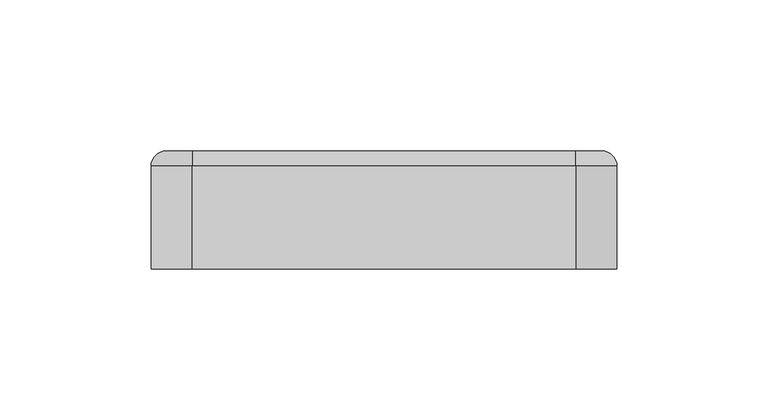
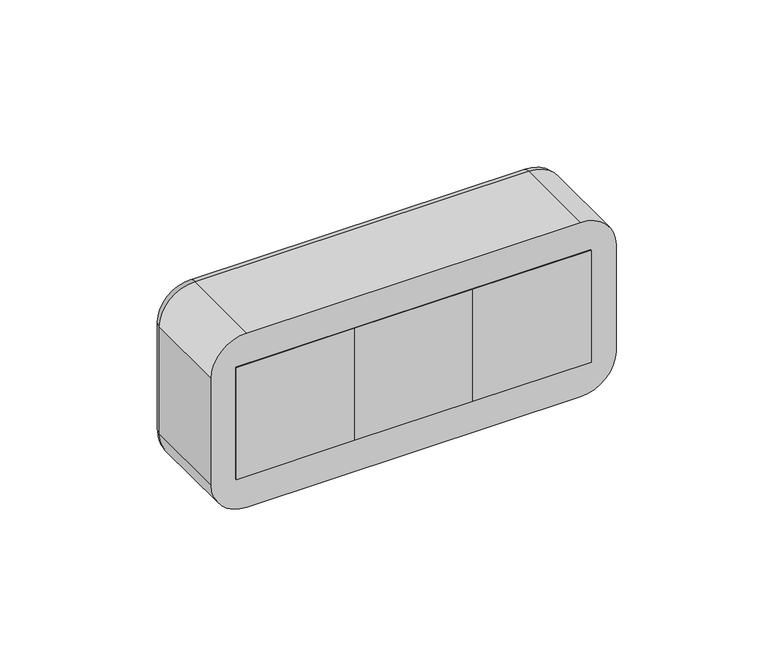
"""IFC4 building model written with IfcOpenShell, lengths in millimetres: proxy geometry."""

from ifc_helpers import new_model, si_unit, point, frame, frame_2d, origin, origin_2d, place, context, project, spatial, polyline, circle_curve, ellipse_curve, trimmed, segment, composite_curve, outline, extrude, source, transform, mapped, element, save
from ifc_brep_helpers import plane_surface, cylinder_surface, revolved_surface, advanced_brep


def electrical_fixtures_a17fdd96(model_context):
    return source(origin(), model_context, "Body", "SolidModel", [
        advanced_brep(
        [(67.5, 39.0, 22.5), (67.5, 39.0, -22.5), (22.5, 39.0, -22.5), (22.5, 39.0, 22.5), (27.0, 39.0, 0.0), (63.0, 39.0, 0.0), (67.5, 31.0, 22.5), (22.5, 31.0, 22.5), (22.5, 31.0, -22.5), (67.5, 31.0, -22.5), (38.0, 31.0, 0.0), (33.0, 31.0, 0.0), (57.0, 31.0, 0.0), (52.0, 31.0, 0.0), (27.0, 32.0, 0.0), (63.0, 32.0, 0.0), (33.0, 32.0, 0.0), (38.0, 32.0, 0.0), (52.0, 32.0, 0.0), (57.0, 32.0, 0.0)],
        [
            (0, 1),
            (1, 2),
            (2, 3),
            (3, 0),
            (4, 5, circle_curve(frame((45.0, 39.0, 0.0), z_axis=(0.0, -1.0, 0.0), x_axis=(1.0, 0.0, 0.0)), 18.0)),
            (5, 4, circle_curve(frame((45.0, 39.0, 0.0), z_axis=(0.0, -1.0, 0.0), x_axis=(1.0, 0.0, 0.0)), 18.0)),
            (6, 7),
            (7, 8),
            (8, 9),
            (9, 6),
            (10, 11, circle_curve(frame((35.5, 31.0, 0.0), z_axis=(0.0, 1.0, 0.0), x_axis=(1.0, 0.0, 0.0)), 2.5)),
            (11, 10, circle_curve(frame((35.5, 31.0, 0.0), z_axis=(0.0, 1.0, 0.0), x_axis=(1.0, 0.0, 0.0)), 2.5)),
            (12, 13, circle_curve(frame((54.5, 31.0, 0.0), z_axis=(0.0, 1.0, 0.0), x_axis=(1.0, 0.0, 0.0)), 2.5)),
            (13, 12, circle_curve(frame((54.5, 31.0, 0.0), z_axis=(0.0, 1.0, 0.0), x_axis=(1.0, 0.0, 0.0)), 2.5)),
            (3, 7),
            (6, 0),
            (2, 8),
            (1, 9),
            (14, 15, circle_curve(frame((45.0, 32.0, 0.0), z_axis=(0.0, 1.0, 0.0), x_axis=(1.0, 0.0, 0.0)), 18.0)),
            (15, 14, circle_curve(frame((45.0, 32.0, 0.0), z_axis=(0.0, 1.0, 0.0), x_axis=(1.0, 0.0, 0.0)), 18.0)),
            (16, 17, circle_curve(frame((35.5, 32.0, 0.0), z_axis=(0.0, -1.0, 0.0), x_axis=(1.0, 0.0, 0.0)), 2.5)),
            (17, 16, circle_curve(frame((35.5, 32.0, 0.0), z_axis=(0.0, -1.0, 0.0), x_axis=(1.0, 0.0, 0.0)), 2.5)),
            (18, 19, circle_curve(frame((54.5, 32.0, 0.0), z_axis=(0.0, -1.0, 0.0), x_axis=(1.0, 0.0, 0.0)), 2.5)),
            (19, 18, circle_curve(frame((54.5, 32.0, 0.0), z_axis=(0.0, -1.0, 0.0), x_axis=(1.0, 0.0, 0.0)), 2.5)),
            (15, 5),
            (4, 14),
            (10, 17),
            (16, 11),
            (12, 19),
            (18, 13),
        ],
        [
            plane_surface(frame((6.0, 39.0, 22.5), z_axis=(0.0, 1.0, 0.0), x_axis=(1.0, 0.0, 0.0))),
            plane_surface(frame((6.0, 31.0, 22.5), z_axis=(0.0, -1.0, 0.0), x_axis=(-1.0, 0.0, 0.0))),
            plane_surface(frame((67.5, 31.0, 22.5), z_axis=(0.0, 0.0, 1.0), x_axis=(0.0, 1.0, 0.0))),
            plane_surface(frame((22.5, 31.0, 22.5), z_axis=(-1.0, 0.0, 0.0), x_axis=(0.0, 1.0, 0.0))),
            plane_surface(frame((22.5, 31.0, -22.5), z_axis=(0.0, 0.0, -1.0), x_axis=(0.0, 1.0, 0.0))),
            plane_surface(frame((67.5, 31.0, -22.5), z_axis=(1.0, 0.0, 0.0), x_axis=(0.0, 1.0, 0.0))),
            plane_surface(frame((63.0, 32.0, 0.0), z_axis=(0.0, 1.0, 0.0), x_axis=(0.0, 0.0, 1.0))),
            revolved_surface(polyline([(63.0, 32.0, 0.0), (63.0, 39.0, 0.0)]), (45.0, 39.0, 0.0), (0.0, -1.0, 0.0)),
            revolved_surface(polyline([(38.0, 31.0, 0.0), (38.0, 32.0, 0.0)]), (35.5, 32.0, 0.0), (0.0, -1.0, 0.0)),
            revolved_surface(polyline([(57.0, 31.0, 0.0), (57.0, 32.0, 0.0)]), (54.5, 31.0, 0.0), (0.0, -1.0, 0.0)),
        ],
        [
            (0, [[1, 2, 3, 4], [5, 6]]),
            (1, [[7, 8, 9, 10], [11, 12], [13, 14]]),
            (2, [[-4, 15, -7, 16]]),
            (3, [[-3, 17, -8, -15]]),
            (4, [[-2, 18, -9, -17]]),
            (5, [[-1, -16, -10, -18]]),
            (6, [[19, 20], [21, 22], [23, 24]]),
            (7, [[-20, 25, -5, 26]]),
            (7, [[-19, -26, -6, -25]]),
            (8, [[27, -21, 28, -11]]),
            (8, [[-27, -12, -28, -22]]),
            (9, [[29, -23, 30, -13]]),
            (9, [[-29, -14, -30, -24]]),
        ],
    ),
        extrude(outline(polyline([(67.5, 0.0), (22.5, 0.0), (22.5, 31.0), (67.5, 31.0), (67.5, 0.0)])), frame((0.0, 0.0, -22.5), z_axis=(0.0, 0.0, 1.0), x_axis=(1.0, 0.0, 0.0)), (0.0, 0.0, 1.0), 45.0),
        extrude(outline(composite_curve([segment(polyline([(-16.0, 43.5), (-17.9373911, 43.5)]), True, "CONTINUOUS"), segment(trimmed(circle_curve(frame_2d((0.0, 45.0)), 18.0), [point((-17.9373911, 43.5))], [point((-17.9373911, 46.5))], False, "CARTESIAN"), True, "CONTINUOUS"), segment(polyline([(-17.9373911, 46.5), (-16.0, 46.5), (-16.0, 43.5)]), True, "CONTINUOUS")], self_intersect=False)), frame((0.0, 32.0, 0.0), z_axis=(0.0, 1.0, 0.0), x_axis=(0.0, 0.0, 1.0)), (0.0, 0.0, 1.0), 6.0),
        extrude(outline(composite_curve([segment(polyline([(16.0, 43.5), (16.0, 46.5), (17.9373911, 46.5)]), True, "CONTINUOUS"), segment(trimmed(circle_curve(frame_2d((0.0, 45.0)), 18.0), [point((17.9373911, 46.5))], [point((17.9373911, 43.5))], False, "CARTESIAN"), True, "CONTINUOUS"), segment(polyline([(17.9373911, 43.5), (16.0, 43.5)]), True, "CONTINUOUS")], self_intersect=False)), frame((0.0, 32.0, 0.0), z_axis=(0.0, 1.0, 0.0), x_axis=(0.0, 0.0, 1.0)), (0.0, 0.0, 1.0), 6.0),
        extrude(outline(composite_curve([segment(polyline([(8.2462113, 61.0), (2.0, 61.0), (2.0, 62.8885438)]), True, "CONTINUOUS"), segment(trimmed(circle_curve(frame_2d((0.0, 45.0)), 18.0), [point((2.0, 62.8885438))], [point((8.2462113, 61.0))], False, "CARTESIAN"), True, "CONTINUOUS")], self_intersect=False)), frame((0.0, 32.0, 0.0), z_axis=(0.0, 1.0, 0.0), x_axis=(0.0, 0.0, 1.0)), (0.0, 0.0, 1.0), 6.0),
        extrude(outline(composite_curve([segment(trimmed(circle_curve(frame_2d((0.0, 45.0)), 18.0), [point((-8.2462113, 61.0))], [point((-2.0, 62.8885438))], False, "CARTESIAN"), True, "CONTINUOUS"), segment(polyline([(-2.0, 62.8885438), (-2.0, 61.0), (-8.2462113, 61.0)]), True, "CONTINUOUS")], self_intersect=False)), frame((0.0, 32.0, 0.0), z_axis=(0.0, 1.0, 0.0), x_axis=(0.0, 0.0, 1.0)), (0.0, 0.0, 1.0), 6.0),
        extrude(outline(composite_curve([segment(polyline([(-8.2462113, 29.0), (-2.0, 29.0), (-2.0, 27.1114562)]), True, "CONTINUOUS"), segment(trimmed(circle_curve(frame_2d((0.0, 45.0)), 18.0), [point((-2.0, 27.1114562))], [point((-8.2462113, 29.0))], False, "CARTESIAN"), True, "CONTINUOUS")], self_intersect=False)), frame((0.0, 32.0, 0.0), z_axis=(0.0, 1.0, 0.0), x_axis=(0.0, 0.0, 1.0)), (0.0, 0.0, 1.0), 6.0),
        extrude(outline(composite_curve([segment(trimmed(circle_curve(frame_2d((0.0, 45.0)), 18.0), [point((8.2462113, 29.0))], [point((2.0, 27.1114562))], False, "CARTESIAN"), True, "CONTINUOUS"), segment(polyline([(2.0, 27.1114562), (2.0, 29.0), (8.2462113, 29.0)]), True, "CONTINUOUS")], self_intersect=False)), frame((0.0, 32.0, 0.0), z_axis=(0.0, 1.0, 0.0), x_axis=(0.0, 0.0, 1.0)), (0.0, 0.0, 1.0), 6.0),
        advanced_brep(
        [(-22.5, 39.0, 22.5), (-22.5, 39.0, -22.5), (-67.5, 39.0, -22.5), (-67.5, 39.0, 22.5), (-63.0, 39.0, 0.0), (-27.0, 39.0, 0.0), (-22.5, 31.0, 22.5), (-67.5, 31.0, 22.5), (-67.5, 31.0, -22.5), (-22.5, 31.0, -22.5), (-52.0, 31.0, 0.0), (-57.0, 31.0, 0.0), (-33.0, 31.0, 0.0), (-38.0, 31.0, 0.0), (-63.0, 32.0, 0.0), (-27.0, 32.0, 0.0), (-57.0, 32.0, 0.0), (-52.0, 32.0, 0.0), (-38.0, 32.0, 0.0), (-33.0, 32.0, 0.0)],
        [
            (0, 1),
            (1, 2),
            (2, 3),
            (3, 0),
            (4, 5, circle_curve(frame((-45.0, 39.0, 0.0), z_axis=(0.0, -1.0, 0.0), x_axis=(1.0, 0.0, 0.0)), 18.0)),
            (5, 4, circle_curve(frame((-45.0, 39.0, 0.0), z_axis=(0.0, -1.0, 0.0), x_axis=(1.0, 0.0, 0.0)), 18.0)),
            (6, 7),
            (7, 8),
            (8, 9),
            (9, 6),
            (10, 11, circle_curve(frame((-54.5, 31.0, 0.0), z_axis=(0.0, 1.0, 0.0), x_axis=(1.0, 0.0, 0.0)), 2.5)),
            (11, 10, circle_curve(frame((-54.5, 31.0, 0.0), z_axis=(0.0, 1.0, 0.0), x_axis=(1.0, 0.0, 0.0)), 2.5)),
            (12, 13, circle_curve(frame((-35.5, 31.0, 0.0), z_axis=(0.0, 1.0, 0.0), x_axis=(1.0, 0.0, 0.0)), 2.5)),
            (13, 12, circle_curve(frame((-35.5, 31.0, 0.0), z_axis=(0.0, 1.0, 0.0), x_axis=(1.0, 0.0, 0.0)), 2.5)),
            (3, 7),
            (6, 0),
            (2, 8),
            (1, 9),
            (14, 15, circle_curve(frame((-45.0, 32.0, 0.0), z_axis=(0.0, 1.0, 0.0), x_axis=(1.0, 0.0, 0.0)), 18.0)),
            (15, 14, circle_curve(frame((-45.0, 32.0, 0.0), z_axis=(0.0, 1.0, 0.0), x_axis=(1.0, 0.0, 0.0)), 18.0)),
            (16, 17, circle_curve(frame((-54.5, 32.0, 0.0), z_axis=(0.0, -1.0, 0.0), x_axis=(1.0, 0.0, 0.0)), 2.5)),
            (17, 16, circle_curve(frame((-54.5, 32.0, 0.0), z_axis=(0.0, -1.0, 0.0), x_axis=(1.0, 0.0, 0.0)), 2.5)),
            (18, 19, circle_curve(frame((-35.5, 32.0, 0.0), z_axis=(0.0, -1.0, 0.0), x_axis=(1.0, 0.0, 0.0)), 2.5)),
            (19, 18, circle_curve(frame((-35.5, 32.0, 0.0), z_axis=(0.0, -1.0, 0.0), x_axis=(1.0, 0.0, 0.0)), 2.5)),
            (15, 5),
            (4, 14),
            (10, 17),
            (16, 11),
            (12, 19),
            (18, 13),
        ],
        [
            plane_surface(frame((-84.0, 39.0, 22.5), z_axis=(0.0, 1.0, 0.0), x_axis=(1.0, 0.0, 0.0))),
            plane_surface(frame((-84.0, 31.0, 22.5), z_axis=(0.0, -1.0, 0.0), x_axis=(-1.0, 0.0, 0.0))),
            plane_surface(frame((-22.5, 31.0, 22.5), z_axis=(0.0, 0.0, 1.0), x_axis=(0.0, 1.0, 0.0))),
            plane_surface(frame((-67.5, 31.0, 22.5), z_axis=(-1.0, 0.0, 0.0), x_axis=(0.0, 1.0, 0.0))),
            plane_surface(frame((-67.5, 31.0, -22.5), z_axis=(0.0, 0.0, -1.0), x_axis=(0.0, 1.0, 0.0))),
            plane_surface(frame((-22.5, 31.0, -22.5), z_axis=(1.0, 0.0, 0.0), x_axis=(0.0, 1.0, 0.0))),
            plane_surface(frame((-27.0, 32.0, 0.0), z_axis=(0.0, 1.0, 0.0), x_axis=(0.0, 0.0, 1.0))),
            revolved_surface(polyline([(-27.0, 32.0, 0.0), (-27.0, 39.0, 0.0)]), (-45.0, 39.0, 0.0), (0.0, -1.0, 0.0)),
            revolved_surface(polyline([(-52.0, 31.0, 0.0), (-52.0, 32.0, 0.0)]), (-54.5, 32.0, 0.0), (0.0, -1.0, 0.0)),
            revolved_surface(polyline([(-33.0, 31.0, 0.0), (-33.0, 32.0, 0.0)]), (-35.5, 31.0, 0.0), (0.0, -1.0, 0.0)),
        ],
        [
            (0, [[1, 2, 3, 4], [5, 6]]),
            (1, [[7, 8, 9, 10], [11, 12], [13, 14]]),
            (2, [[-4, 15, -7, 16]]),
            (3, [[-3, 17, -8, -15]]),
            (4, [[-2, 18, -9, -17]]),
            (5, [[-1, -16, -10, -18]]),
            (6, [[19, 20], [21, 22], [23, 24]]),
            (7, [[-20, 25, -5, 26]]),
            (7, [[-19, -26, -6, -25]]),
            (8, [[27, -21, 28, -11]]),
            (8, [[-27, -12, -28, -22]]),
            (9, [[29, -23, 30, -13]]),
            (9, [[-29, -14, -30, -24]]),
        ],
    ),
        extrude(outline(polyline([(-22.5, 0.0), (-67.5, 0.0), (-67.5, 31.0), (-22.5, 31.0), (-22.5, 0.0)])), frame((0.0, 0.0, -22.5), z_axis=(0.0, 0.0, 1.0), x_axis=(1.0, 0.0, 0.0)), (0.0, 0.0, 1.0), 45.0),
        extrude(outline(composite_curve([segment(polyline([(-16.0, -46.5), (-17.9373911, -46.5)]), True, "CONTINUOUS"), segment(trimmed(circle_curve(frame_2d((0.0, -45.0)), 18.0), [point((-17.9373911, -46.5))], [point((-17.9373911, -43.5))], False, "CARTESIAN"), True, "CONTINUOUS"), segment(polyline([(-17.9373911, -43.5), (-16.0, -43.5), (-16.0, -46.5)]), True, "CONTINUOUS")], self_intersect=False)), frame((0.0, 32.0, 0.0), z_axis=(0.0, 1.0, 0.0), x_axis=(0.0, 0.0, 1.0)), (0.0, 0.0, 1.0), 6.0),
        extrude(outline(composite_curve([segment(polyline([(16.0, -46.5), (16.0, -43.5), (17.9373911, -43.5)]), True, "CONTINUOUS"), segment(trimmed(circle_curve(frame_2d((0.0, -45.0)), 18.0), [point((17.9373911, -43.5))], [point((17.9373911, -46.5))], False, "CARTESIAN"), True, "CONTINUOUS"), segment(polyline([(17.9373911, -46.5), (16.0, -46.5)]), True, "CONTINUOUS")], self_intersect=False)), frame((0.0, 32.0, 0.0), z_axis=(0.0, 1.0, 0.0), x_axis=(0.0, 0.0, 1.0)), (0.0, 0.0, 1.0), 6.0),
        extrude(outline(composite_curve([segment(polyline([(8.2462113, -29.0), (2.0, -29.0), (2.0, -27.1114562)]), True, "CONTINUOUS"), segment(trimmed(circle_curve(frame_2d((0.0, -45.0)), 18.0), [point((2.0, -27.1114562))], [point((8.2462113, -29.0))], False, "CARTESIAN"), True, "CONTINUOUS")], self_intersect=False)), frame((0.0, 32.0, 0.0), z_axis=(0.0, 1.0, 0.0), x_axis=(0.0, 0.0, 1.0)), (0.0, 0.0, 1.0), 6.0),
        extrude(outline(composite_curve([segment(trimmed(circle_curve(frame_2d((0.0, -45.0)), 18.0), [point((-8.2462113, -29.0))], [point((-2.0, -27.1114562))], False, "CARTESIAN"), True, "CONTINUOUS"), segment(polyline([(-2.0, -27.1114562), (-2.0, -29.0), (-8.2462113, -29.0)]), True, "CONTINUOUS")], self_intersect=False)), frame((0.0, 32.0, 0.0), z_axis=(0.0, 1.0, 0.0), x_axis=(0.0, 0.0, 1.0)), (0.0, 0.0, 1.0), 6.0),
        extrude(outline(composite_curve([segment(polyline([(-8.2462113, -61.0), (-2.0, -61.0), (-2.0, -62.8885438)]), True, "CONTINUOUS"), segment(trimmed(circle_curve(frame_2d((0.0, -45.0)), 18.0), [point((-2.0, -62.8885438))], [point((-8.2462113, -61.0))], False, "CARTESIAN"), True, "CONTINUOUS")], self_intersect=False)), frame((0.0, 32.0, 0.0), z_axis=(0.0, 1.0, 0.0), x_axis=(0.0, 0.0, 1.0)), (0.0, 0.0, 1.0), 6.0),
        extrude(outline(composite_curve([segment(trimmed(circle_curve(frame_2d((0.0, -45.0)), 18.0), [point((8.2462113, -61.0))], [point((2.0, -62.8885438))], False, "CARTESIAN"), True, "CONTINUOUS"), segment(polyline([(2.0, -62.8885438), (2.0, -61.0), (8.2462113, -61.0)]), True, "CONTINUOUS")], self_intersect=False)), frame((0.0, 32.0, 0.0), z_axis=(0.0, 1.0, 0.0), x_axis=(0.0, 0.0, 1.0)), (0.0, 0.0, 1.0), 6.0),
        advanced_brep(
        [(22.5, 39.0, 22.5), (22.5, 39.0, -22.5), (-22.5, 39.0, -22.5), (-22.5, 39.0, 22.5), (-18.0, 39.0, 0.0), (18.0, 39.0, 0.0), (22.5, 31.0, 22.5), (-22.5, 31.0, 22.5), (-22.5, 31.0, -22.5), (22.5, 31.0, -22.5), (-7.0, 31.0, 0.0), (-12.0, 31.0, 0.0), (12.0, 31.0, 0.0), (7.0, 31.0, 0.0), (-18.0, 32.0, 0.0), (18.0, 32.0, 0.0), (-12.0, 32.0, 0.0), (-7.0, 32.0, 0.0), (7.0, 32.0, 0.0), (12.0, 32.0, 0.0)],
        [
            (0, 1),
            (1, 2),
            (2, 3),
            (3, 0),
            (4, 5, circle_curve(frame((0.0, 39.0, 0.0), z_axis=(0.0, -1.0, 0.0), x_axis=(1.0, 0.0, 0.0)), 18.0)),
            (5, 4, circle_curve(frame((0.0, 39.0, 0.0), z_axis=(0.0, -1.0, 0.0), x_axis=(1.0, 0.0, 0.0)), 18.0)),
            (6, 7),
            (7, 8),
            (8, 9),
            (9, 6),
            (10, 11, circle_curve(frame((-9.5, 31.0, 0.0), z_axis=(0.0, 1.0, 0.0), x_axis=(1.0, 0.0, 0.0)), 2.5)),
            (11, 10, circle_curve(frame((-9.5, 31.0, 0.0), z_axis=(0.0, 1.0, 0.0), x_axis=(1.0, 0.0, 0.0)), 2.5)),
            (12, 13, circle_curve(frame((9.5, 31.0, 0.0), z_axis=(0.0, 1.0, 0.0), x_axis=(1.0, 0.0, 0.0)), 2.5)),
            (13, 12, circle_curve(frame((9.5, 31.0, 0.0), z_axis=(0.0, 1.0, 0.0), x_axis=(1.0, 0.0, 0.0)), 2.5)),
            (3, 7),
            (6, 0),
            (2, 8),
            (1, 9),
            (14, 15, circle_curve(frame((0.0, 32.0, 0.0), z_axis=(0.0, 1.0, 0.0), x_axis=(1.0, 0.0, 0.0)), 18.0)),
            (15, 14, circle_curve(frame((0.0, 32.0, 0.0), z_axis=(0.0, 1.0, 0.0), x_axis=(1.0, 0.0, 0.0)), 18.0)),
            (16, 17, circle_curve(frame((-9.5, 32.0, 0.0), z_axis=(0.0, -1.0, 0.0), x_axis=(1.0, 0.0, 0.0)), 2.5)),
            (17, 16, circle_curve(frame((-9.5, 32.0, 0.0), z_axis=(0.0, -1.0, 0.0), x_axis=(1.0, 0.0, 0.0)), 2.5)),
            (18, 19, circle_curve(frame((9.5, 32.0, 0.0), z_axis=(0.0, -1.0, 0.0), x_axis=(1.0, 0.0, 0.0)), 2.5)),
            (19, 18, circle_curve(frame((9.5, 32.0, 0.0), z_axis=(0.0, -1.0, 0.0), x_axis=(1.0, 0.0, 0.0)), 2.5)),
            (15, 5),
            (4, 14),
            (10, 17),
            (16, 11),
            (12, 19),
            (18, 13),
        ],
        [
            plane_surface(frame((-39.0, 39.0, 22.5), z_axis=(0.0, 1.0, 0.0), x_axis=(1.0, 0.0, 0.0))),
            plane_surface(frame((-39.0, 31.0, 22.5), z_axis=(0.0, -1.0, 0.0), x_axis=(-1.0, 0.0, 0.0))),
            plane_surface(frame((22.5, 31.0, 22.5), z_axis=(0.0, 0.0, 1.0), x_axis=(0.0, 1.0, 0.0))),
            plane_surface(frame((-22.5, 31.0, 22.5), z_axis=(-1.0, 0.0, 0.0), x_axis=(0.0, 1.0, 0.0))),
            plane_surface(frame((-22.5, 31.0, -22.5), z_axis=(0.0, 0.0, -1.0), x_axis=(0.0, 1.0, 0.0))),
            plane_surface(frame((22.5, 31.0, -22.5), z_axis=(1.0, 0.0, 0.0), x_axis=(0.0, 1.0, 0.0))),
            plane_surface(frame((18.0, 32.0, 0.0), z_axis=(0.0, 1.0, 0.0), x_axis=(0.0, 0.0, 1.0))),
            revolved_surface(polyline([(18.0, 32.0, 0.0), (18.0, 39.0, 0.0)]), (0.0, 39.0, 0.0), (0.0, -1.0, 0.0)),
            revolved_surface(polyline([(-7.0, 31.0, 0.0), (-7.0, 32.0, 0.0)]), (-9.5, 32.0, 0.0), (0.0, -1.0, 0.0)),
            revolved_surface(polyline([(12.0, 31.0, 0.0), (12.0, 32.0, 0.0)]), (9.5, 31.0, 0.0), (0.0, -1.0, 0.0)),
        ],
        [
            (0, [[1, 2, 3, 4], [5, 6]]),
            (1, [[7, 8, 9, 10], [11, 12], [13, 14]]),
            (2, [[-4, 15, -7, 16]]),
            (3, [[-3, 17, -8, -15]]),
            (4, [[-2, 18, -9, -17]]),
            (5, [[-1, -16, -10, -18]]),
            (6, [[19, 20], [21, 22], [23, 24]]),
            (7, [[-20, 25, -5, 26]]),
            (7, [[-19, -26, -6, -25]]),
            (8, [[27, -21, 28, -11]]),
            (8, [[-27, -12, -28, -22]]),
            (9, [[29, -23, 30, -13]]),
            (9, [[-29, -14, -30, -24]]),
        ],
    ),
        extrude(outline(polyline([(22.5, 0.0), (-22.5, 0.0), (-22.5, 31.0), (22.5, 31.0), (22.5, 0.0)])), frame((0.0, 0.0, -22.5), z_axis=(0.0, 0.0, 1.0), x_axis=(1.0, 0.0, 0.0)), (0.0, 0.0, 1.0), 45.0),
        extrude(outline(composite_curve([segment(polyline([(-16.0, -1.5), (-17.9373911, -1.5)]), True, "CONTINUOUS"), segment(trimmed(circle_curve(origin_2d(), 18.0), [point((-17.9373911, -1.5))], [point((-17.9373911, 1.5))], False, "CARTESIAN"), True, "CONTINUOUS"), segment(polyline([(-17.9373911, 1.5), (-16.0, 1.5), (-16.0, -1.5)]), True, "CONTINUOUS")], self_intersect=False)), frame((0.0, 32.0, 0.0), z_axis=(0.0, 1.0, 0.0), x_axis=(0.0, 0.0, 1.0)), (0.0, 0.0, 1.0), 6.0),
        extrude(outline(composite_curve([segment(polyline([(16.0, -1.5), (16.0, 1.5), (17.9373911, 1.5)]), True, "CONTINUOUS"), segment(trimmed(circle_curve(origin_2d(), 18.0), [point((17.9373911, 1.5))], [point((17.9373911, -1.5))], False, "CARTESIAN"), True, "CONTINUOUS"), segment(polyline([(17.9373911, -1.5), (16.0, -1.5)]), True, "CONTINUOUS")], self_intersect=False)), frame((0.0, 32.0, 0.0), z_axis=(0.0, 1.0, 0.0), x_axis=(0.0, 0.0, 1.0)), (0.0, 0.0, 1.0), 6.0),
        extrude(outline(composite_curve([segment(polyline([(8.2462113, 16.0), (2.0, 16.0), (2.0, 17.8885438)]), True, "CONTINUOUS"), segment(trimmed(circle_curve(origin_2d(), 18.0), [point((2.0, 17.8885438))], [point((8.2462113, 16.0))], False, "CARTESIAN"), True, "CONTINUOUS")], self_intersect=False)), frame((0.0, 32.0, 0.0), z_axis=(0.0, 1.0, 0.0), x_axis=(0.0, 0.0, 1.0)), (0.0, 0.0, 1.0), 6.0),
        extrude(outline(composite_curve([segment(trimmed(circle_curve(origin_2d(), 18.0), [point((-8.2462113, 16.0))], [point((-2.0, 17.8885438))], False, "CARTESIAN"), True, "CONTINUOUS"), segment(polyline([(-2.0, 17.8885438), (-2.0, 16.0), (-8.2462113, 16.0)]), True, "CONTINUOUS")], self_intersect=False)), frame((0.0, 32.0, 0.0), z_axis=(0.0, 1.0, 0.0), x_axis=(0.0, 0.0, 1.0)), (0.0, 0.0, 1.0), 6.0),
        extrude(outline(composite_curve([segment(polyline([(-8.2462113, -16.0), (-2.0, -16.0), (-2.0, -17.8885438)]), True, "CONTINUOUS"), segment(trimmed(circle_curve(origin_2d(), 18.0), [point((-2.0, -17.8885438))], [point((-8.2462113, -16.0))], False, "CARTESIAN"), True, "CONTINUOUS")], self_intersect=False)), frame((0.0, 32.0, 0.0), z_axis=(0.0, 1.0, 0.0), x_axis=(0.0, 0.0, 1.0)), (0.0, 0.0, 1.0), 6.0),
        extrude(outline(composite_curve([segment(trimmed(circle_curve(origin_2d(), 18.0), [point((8.2462113, -16.0))], [point((2.0, -17.8885438))], False, "CARTESIAN"), True, "CONTINUOUS"), segment(polyline([(2.0, -17.8885438), (2.0, -16.0), (8.2462113, -16.0)]), True, "CONTINUOUS")], self_intersect=False)), frame((0.0, 32.0, 0.0), z_axis=(0.0, 1.0, 0.0), x_axis=(0.0, 0.0, 1.0)), (0.0, 0.0, 1.0), 6.0),
        advanced_brep(
        [(63.4328665, 39.0, 30.0), (72.0, 39.0, 21.4328665), (72.0, 39.0, -21.4328665), (63.4328665, 39.0, -30.0), (-63.4328665, 39.0, -30.0), (-72.0, 39.0, -21.4328665), (-72.0, 39.0, 21.4328665), (-63.4328665, 39.0, 30.0), (67.5, 39.0, 22.5), (-67.5, 39.0, 22.5), (-67.5, 39.0, -22.5), (67.5, 39.0, -22.5), (-63.4328665, 0.0, 35.0), (-77.0, 0.0, 21.4328665), (-77.0, 0.0, -21.4328665), (-63.4328665, 0.0, -35.0), (63.4328665, 0.0, -35.0), (77.0, 0.0, -21.4328665), (77.0, 0.0, 21.4328665), (63.4328665, 0.0, 35.0), (67.5, 2.0, -22.5), (67.5, 2.0, 22.5), (-67.5, 2.0, -22.5), (-67.5, 2.0, 22.5), (-77.0, 34.0, 21.4328665), (-77.0, 34.0, -21.4328665), (-63.4328665, 34.0, -35.0), (63.4328665, 34.0, -35.0), (77.0, 34.0, -21.4328665), (77.0, 34.0, 21.4328665), (63.4328665, 34.0000072, 35.0), (-63.4328665, 34.0, 35.0)],
        [
            (0, 1, circle_curve(frame((63.4328665, 39.0, 21.4328665), z_axis=(0.0, 1.0, 0.0), x_axis=(0.0, 0.0, 1.0)), 8.5671335)),
            (1, 2),
            (2, 3, circle_curve(frame((63.4328665, 39.0, -21.4328665), z_axis=(0.0, 1.0, 0.0), x_axis=(1.0, 0.0, 0.0)), 8.5671335)),
            (3, 4),
            (4, 5, circle_curve(frame((-63.4328665, 39.0, -21.4328665), z_axis=(0.0, 1.0, 0.0), x_axis=(0.0, 0.0, -1.0)), 8.5671335)),
            (5, 6),
            (6, 7, circle_curve(frame((-63.4328665, 39.0, 21.4328665), z_axis=(0.0, 1.0, 0.0), x_axis=(-1.0, 0.0, 0.0)), 8.5671335)),
            (7, 0),
            (8, 9),
            (9, 10),
            (10, 11),
            (11, 8),
            (12, 13, circle_curve(frame((-63.4328665, 0.0, 21.4328665), z_axis=(0.0, -1.0, 0.0), x_axis=(1.0, 0.0, 0.0)), 13.5671335)),
            (13, 14),
            (14, 15, circle_curve(frame((-63.4328665, 0.0, -21.4328665), z_axis=(0.0, -1.0, 0.0), x_axis=(1.0, 0.0, 0.0)), 13.5671335)),
            (15, 16),
            (16, 17, circle_curve(frame((63.4328665, 0.0, -21.4328665), z_axis=(0.0, -1.0, 0.0), x_axis=(1.0, 0.0, 0.0)), 13.5671335)),
            (17, 18),
            (18, 19, circle_curve(frame((63.4328665, 0.0, 21.4328665), z_axis=(0.0, -1.0, 0.0), x_axis=(1.0, 0.0, 0.0)), 13.5671335)),
            (19, 12),
            (11, 20),
            (20, 21),
            (21, 8),
            (10, 22),
            (22, 20),
            (9, 23),
            (23, 22),
            (21, 23),
            (13, 24),
            (24, 25),
            (25, 14),
            (15, 26),
            (26, 27),
            (27, 16),
            (17, 28),
            (28, 29),
            (29, 18),
            (19, 30),
            (30, 31),
            (31, 12),
            (31, 24, circle_curve(frame((-63.4328665, 34.0, 21.4328665), z_axis=(0.0, -1.0, 0.0), x_axis=(1.0, 0.0, 0.0)), 13.5671335)),
            (25, 26, circle_curve(frame((-63.4328665, 34.0, -21.4328665), z_axis=(0.0, -1.0, 0.0), x_axis=(1.0, 0.0, 0.0)), 13.5671335)),
            (27, 28, circle_curve(frame((63.4328665, 34.0, -21.4328665), z_axis=(0.0, -1.0, 0.0), x_axis=(1.0, 0.0, 0.0)), 13.5671335)),
            (29, 30, circle_curve(frame((63.4328665, 34.0, 21.4328665), z_axis=(0.0, -1.0, 0.0), x_axis=(1.0, 0.0, 0.0)), 13.5671335)),
            (29, 1, circle_curve(frame((72.0, 34.0, 21.4328665), z_axis=(0.0, 0.0, 1.0), x_axis=(0.0, 1.0, 0.0)), 5.0)),
            (0, 30, circle_curve(frame((63.4328665, 34.0, 30.0), z_axis=(1.0, 0.0, 0.0), x_axis=(0.0, 1.0, 0.0)), 5.0)),
            (28, 2, circle_curve(frame((72.0, 34.0, -21.4328665), z_axis=(0.0, 0.0, 1.0), x_axis=(0.0, 1.0, 0.0)), 5.0)),
            (27, 3, circle_curve(frame((63.4328665, 34.0, -30.0), z_axis=(1.0, 0.0, 0.0), x_axis=(0.0, 1.0, 0.0)), 5.0)),
            (26, 4, circle_curve(frame((-63.4328665, 34.0, -30.0), z_axis=(1.0, 0.0, 0.0), x_axis=(0.0, 1.0, 0.0)), 5.0)),
            (25, 5, circle_curve(frame((-72.0, 34.0, -21.4328665), z_axis=(0.0, 0.0, -1.0), x_axis=(0.0, 1.0, 0.0)), 5.0)),
            (24, 6, circle_curve(frame((-72.0, 34.0, 21.4328665), z_axis=(0.0, 0.0, -1.0), x_axis=(0.0, 1.0, 0.0)), 5.0)),
            (31, 7, circle_curve(frame((-63.4328665, 34.0, 30.0), z_axis=(-1.0, 0.0, 0.0), x_axis=(0.0, 1.0, 0.0)), 5.0)),
        ],
        [
            plane_surface(frame((67.5, 39.0, 6.9412233), z_axis=(0.0, 1.0, 0.0), x_axis=(0.0, 0.0, 1.0))),
            plane_surface(frame((67.5, 0.0, 6.9412233), z_axis=(0.0, -1.0, 0.0), x_axis=(0.0, 0.0, -1.0))),
            plane_surface(frame((67.5, 0.0, 22.5), z_axis=(-1.0, 0.0, 0.0), x_axis=(0.0, 1.0, 0.0))),
            plane_surface(frame((67.5, 0.0, -22.5), z_axis=(0.0, 0.0, 1.0), x_axis=(0.0, 1.0, 0.0))),
            plane_surface(frame((-67.5, 0.0, -22.5), z_axis=(1.0, 0.0, 0.0), x_axis=(0.0, 1.0, 0.0))),
            plane_surface(frame((-67.5, 0.0, 22.5), z_axis=(0.0, 0.0, -1.0), x_axis=(0.0, 1.0, 0.0))),
            plane_surface(frame((-77.0, 0.0, 21.4328665), z_axis=(-1.0, 0.0, 0.0), x_axis=(0.0, 1.0, 0.0))),
            plane_surface(frame((-63.4328665, 0.0, -35.0), z_axis=(0.0, 0.0, -1.0), x_axis=(0.0, 1.0, 0.0))),
            plane_surface(frame((77.0, 0.0, -21.4328665), z_axis=(1.0, 0.0, 0.0), x_axis=(0.0, 1.0, 0.0))),
            plane_surface(frame((63.4328665, 0.0, 35.0), z_axis=(0.0, 0.0, 1.0), x_axis=(0.0, 1.0, 0.0))),
            cylinder_surface(frame((-63.4328665, 0.0, 21.4328665), z_axis=(0.0, -1.0, 0.0), x_axis=(1.0, 0.0, 0.0)), 13.5671335),
            cylinder_surface(frame((-63.4328665, 0.0, -21.4328665), z_axis=(0.0, -1.0, 0.0), x_axis=(1.0, 0.0, 0.0)), 13.5671335),
            cylinder_surface(frame((63.4328665, 0.0, -21.4328665), z_axis=(0.0, -1.0, 0.0), x_axis=(1.0, 0.0, 0.0)), 13.5671335),
            cylinder_surface(frame((63.4328665, 0.0, 21.4328665), z_axis=(0.0, -1.0, 0.0), x_axis=(1.0, 0.0, 0.0)), 13.5671335),
            plane_surface(frame((-67.5, 2.0, 31.0), z_axis=(0.0, 1.0, 0.0), x_axis=(0.0, 0.0, 1.0))),
            revolved_surface(trimmed(ellipse_curve(frame((63.4328665, 34.0, 30.0), z_axis=(-1.0, 0.0, 0.0), x_axis=(0.0, 1.0, 0.0)), 5.0, 5.0), [point((63.4328665, 34.0, 35.0))], [point((63.4328665, 39.0, 30.0))], True, "CARTESIAN"), (63.4328665, 39.0, 21.4328665), (0.0, 1.0, 0.0)),
            cylinder_surface(frame((72.0, 34.0, 21.4328665), z_axis=(0.0, 0.0, -1.0), x_axis=(0.0, 1.0, 0.0)), 5.0),
            revolved_surface(trimmed(ellipse_curve(frame((72.0, 34.0, -21.4328665), z_axis=(0.0, 0.0, 1.0), x_axis=(0.0, 1.0, 0.0)), 5.0, 5.0), [point((77.0, 34.0, -21.4328665))], [point((72.0, 39.0, -21.4328665))], True, "CARTESIAN"), (63.4328665, 39.0, -21.4328665), (0.0, 1.0, 0.0)),
            cylinder_surface(frame((63.4328665, 34.0, -30.0), z_axis=(-1.0, 0.0, 0.0), x_axis=(0.0, 1.0, 0.0)), 5.0),
            revolved_surface(trimmed(ellipse_curve(frame((-63.4328665, 34.0, -30.0), z_axis=(1.0, 0.0, 0.0), x_axis=(0.0, 1.0, 0.0)), 5.0, 5.0), [point((-63.4328665, 34.0, -35.0))], [point((-63.4328665, 39.0, -30.0))], True, "CARTESIAN"), (-63.4328665, 39.0, -21.4328665), (0.0, 1.0, 0.0)),
            cylinder_surface(frame((-72.0, 34.0, -21.4328665), z_axis=(0.0, 0.0, 1.0), x_axis=(0.0, 1.0, 0.0)), 5.0),
            revolved_surface(trimmed(ellipse_curve(frame((-72.0, 34.0, 21.4328665), z_axis=(0.0, 0.0, -1.0), x_axis=(0.0, 1.0, 0.0)), 5.0, 5.0), [point((-77.0, 34.0, 21.4328665))], [point((-72.0, 39.0, 21.4328665))], True, "CARTESIAN"), (-63.4328665, 39.0, 21.4328665), (0.0, 1.0, 0.0)),
            cylinder_surface(frame((-63.4328665, 34.0, 30.0), z_axis=(1.0, 0.0, 0.0), x_axis=(0.0, 1.0, 0.0)), 5.0),
        ],
        [
            (0, [[1, 2, 3, 4, 5, 6, 7, 8], [9, 10, 11, 12]]),
            (1, [[13, 14, 15, 16, 17, 18, 19, 20]]),
            (2, [[-12, 21, 22, 23]]),
            (3, [[-11, 24, 25, -21]]),
            (4, [[-10, 26, 27, -24]]),
            (5, [[-9, -23, 28, -26]]),
            (6, [[-14, 29, 30, 31]]),
            (7, [[-16, 32, 33, 34]]),
            (8, [[-18, 35, 36, 37]]),
            (9, [[-20, 38, 39, 40]]),
            (10, [[-13, -40, 41, -29]]),
            (11, [[-15, -31, 42, -32]]),
            (12, [[-17, -34, 43, -35]]),
            (13, [[-19, -37, 44, -38]]),
            (14, [[-22, -25, -27, -28]]),
            (15, [[45, -1, 46, -44]]),
            (16, [[-45, -36, 47, -2]]),
            (17, [[-47, -43, 48, -3]]),
            (18, [[-48, -33, 49, -4]]),
            (19, [[-49, -42, 50, -5]]),
            (20, [[-50, -30, 51, -6]]),
            (21, [[-51, -41, 52, -7]]),
            (22, [[-46, -8, -52, -39]]),
        ],
    ),
    ])


if __name__ == "__main__":
    model = new_model("IFC4")
    model_context = context("Model", 3, world=origin())
    ifc_project = project(units=[si_unit("LENGTHUNIT", "METRE", prefix="MILLI")], contexts=[model_context])
    site = spatial("IfcSite", under=ifc_project)
    building = spatial("IfcBuilding", under=site)
    placement = place(None, origin())
    electrical_fixtures_shape = electrical_fixtures_a17fdd96(model_context)
    element("IfcBuildingElementProxy", 1, Name="Electrical Fixtures", at=placement, inside=building, context=model_context, shape_type="MappedRepresentation", body=[
        mapped(electrical_fixtures_shape, transform((0.0, 0.0, 0.0), x_axis=(1.0, 0.0, 0.0), y_axis=(0.0, 1.0, 0.0), z_axis=(0.0, 0.0, 1.0))),
    ])
    save(model, "model.ifc")
